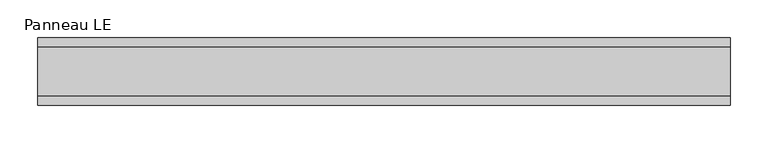
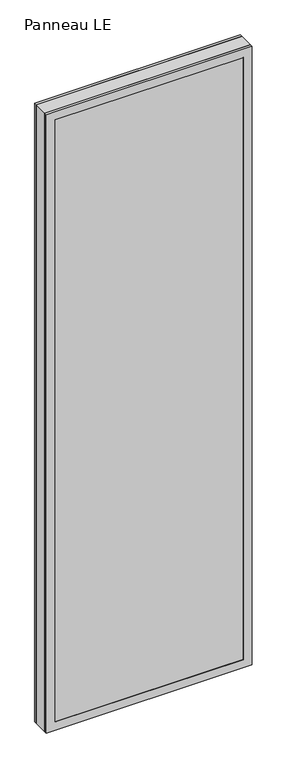
"""IFC4 building model written with IfcOpenShell, lengths in millimetres: plate geometry, Panneau LE."""

from ifc_helpers import new_model, si_unit, frame, origin, place, context, project, spatial, polyline, outline, extrude, faceted_brep, source, transform, mapped, element, save


def panneau_le_a0231a6b(model_context):
    return source(origin(), model_context, "Body", "SolidModel", [
        faceted_brep([(-461.7520246, 33.0, 2933.0), (-461.7520246, 45.0, 2933.0), (-461.7520246, 45.0, 0.0), (-461.7520246, 33.0, 0.0), (461.7520246, 33.0, 0.0), (461.7520246, 45.0, 0.0), (461.7520246, 45.0, 2933.0), (461.7520246, 33.0, 2933.0), (-422.7520246, 45.0, 2894.0), (-422.7520246, 45.0, 39.0), (422.7520246, 45.0, 39.0), (422.7520246, 45.0, 2894.0), (422.7520246, 43.8, 2894.0), (-422.7520246, 43.8, 2894.0), (-437.7520246, 43.8, 2909.0), (-437.7520246, 43.8, 24.0), (437.7520246, 43.8, 24.0), (437.7520246, 43.8, 2909.0), (422.7520246, 43.8, 39.0), (-422.7520246, 43.8, 39.0), (437.7520246, 33.0, 2909.0), (-437.7520246, 33.0, 2909.0), (437.7520246, 33.0, 24.0), (-437.7520246, 33.0, 24.0)], [[[0, 1, 2, 3]], [[4, 5, 6, 7]], [[6, 1, 0, 7]], [[2, 1, 6, 5], [8, 9, 10, 11]], [[8, 11, 12, 13]], [[14, 15, 16, 17], [13, 12, 18, 19]], [[14, 17, 20, 21]], [[0, 3, 4, 7], [20, 22, 23, 21]], [[23, 22, 16, 15]], [[19, 18, 10, 9]], [[4, 3, 2, 5]], [[21, 23, 15, 14]], [[13, 19, 9, 8]], [[18, 12, 11, 10]], [[22, 20, 17, 16]]]),
        faceted_brep([(-461.7520246, -33.0, 0.0), (-461.7520246, -45.0, 0.0), (-461.7520246, -45.0, 2933.0), (-461.7520246, -33.0, 2933.0), (461.7520246, -45.0, 0.0), (461.7520246, -33.0, 0.0), (461.7520246, -33.0, 2933.0), (461.7520246, -45.0, 2933.0), (422.7520246, -45.0, 2894.0), (422.7520246, -45.0, 39.0), (-422.7520246, -45.0, 39.0), (-422.7520246, -45.0, 2894.0), (-437.7520246, -33.0, 2909.0), (-437.7520246, -33.0, 24.0), (437.7520246, -33.0, 24.0), (437.7520246, -33.0, 2909.0), (437.7520246, -43.8, 2909.0), (-437.7520246, -43.8, 2909.0), (437.7520246, -43.8, 24.0), (-437.7520246, -43.8, 24.0), (-422.7520246, -43.8, 2894.0), (-422.7520246, -43.8, 39.0), (422.7520246, -43.8, 39.0), (422.7520246, -43.8, 2894.0)], [[[0, 1, 2, 3]], [[4, 5, 6, 7]], [[2, 1, 4, 7], [8, 9, 10, 11]], [[6, 3, 2, 7]], [[0, 3, 6, 5], [12, 13, 14, 15]], [[12, 15, 16, 17]], [[17, 16, 18, 19], [20, 21, 22, 23]], [[8, 11, 20, 23]], [[10, 9, 22, 21]], [[19, 18, 14, 13]], [[4, 1, 0, 5]], [[11, 10, 21, 20]], [[17, 19, 13, 12]], [[18, 16, 15, 14]], [[9, 8, 23, 22]]]),
        extrude(outline(polyline([(2933.0, 461.7520246), (2933.0, -461.7520246), (0.0, -461.7520246), (0.0, 461.7520246), (2933.0, 461.7520246)]), holes=[polyline([(46.0, -421.7520246), (2887.0, -421.7520246), (2887.0, 421.7520246), (46.0, 421.7520246), (46.0, -421.7520246)])]), frame((0.0, -33.0, 0.0), z_axis=(0.0, 1.0, 0.0), x_axis=(0.0, 0.0, 1.0)), (0.0, 0.0, 1.0), 66.0),
        extrude(outline(polyline([(437.7520246, 37.8), (-437.7520246, 37.8), (-437.7520246, 43.8), (437.7520246, 43.8), (437.7520246, 37.8)])), frame((0.0, 0.0, 24.0), z_axis=(0.0, 0.0, 1.0), x_axis=(1.0, 0.0, 0.0)), (0.0, 0.0, 1.0), 2885.0),
        extrude(outline(polyline([(-437.7520246, -43.8), (-437.7520246, -37.8), (437.7520246, -37.8), (437.7520246, -43.8), (-437.7520246, -43.8)])), frame((0.0, 0.0, 24.0), z_axis=(0.0, 0.0, 1.0), x_axis=(1.0, 0.0, 0.0)), (0.0, 0.0, 1.0), 2885.0),
    ])


if __name__ == "__main__":
    model = new_model("IFC4")
    model_context = context("Model", 3, world=origin())
    ifc_project = project(units=[si_unit("LENGTHUNIT", "METRE", prefix="MILLI")], contexts=[model_context])
    site = spatial("IfcSite", under=ifc_project)
    building = spatial("IfcBuilding", under=site)
    placement = place(None, origin())
    panneau_le_shape = panneau_le_a0231a6b(model_context)
    element("IfcPlate", 1, ObjectType="Panneau LE", at=placement, inside=building, context=model_context, shape_type="MappedRepresentation", body=[
        mapped(panneau_le_shape, transform((0.0, 0.0, 0.0), x_axis=(1.0, 0.0, 0.0), y_axis=(0.0, 1.0, 0.0), z_axis=(0.0, 0.0, 1.0))),
    ])
    save(model, "model.ifc")
